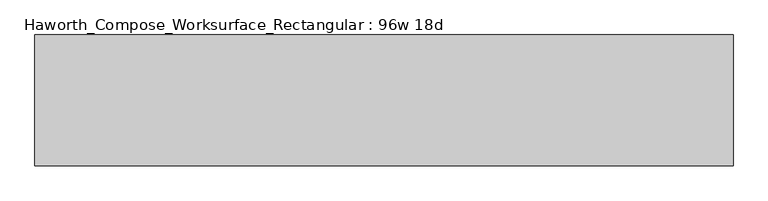
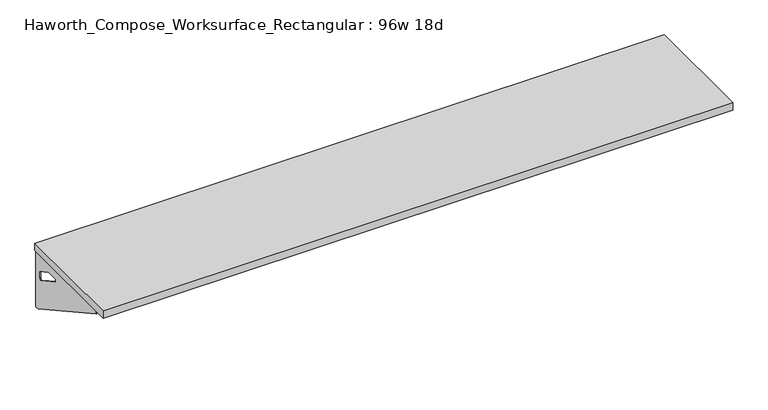
"""IFC4 building model written with IfcOpenShell, lengths in millimetres: furniture geometry, Haworth_Compose_Worksurface_Rectangular : 96w 18d."""

from ifc_helpers import new_model, si_unit, frame, origin, place, context, project, spatial, polyline, circle_curve, outline, extrude, source, transform, mapped, element, save
from ifc_brep_helpers import plane_surface, revolved_surface, advanced_brep


def haworth_compose_worksurface_rectangular_96w_18d_8fdfdb99(model_context):
    return source(origin(), model_context, "Body", "SolidModel", [
        advanced_brep(
        [(1213.64375, 228.6, 475.45625), (1213.64375, 212.725, 475.45625), (1213.64375, -177.8, 691.7192568), (1213.64375, -177.8, 704.05625), (1213.64375, 212.725, 704.05625), (1213.64375, 228.6, 704.05625), (1213.64375, 145.290072, 665.95625), (1213.64375, 101.6355284, 665.95625), (1213.64375, 98.9564235, 656.3705539), (1213.64375, 190.6776173, 605.5776439), (1213.64375, 200.025, 611.1756969), (1213.64375, 200.025, 634.6860246), (1213.64375, 198.2730055, 637.5242776), (1213.64375, 148.3663437, 665.1613425), (1216.025, 228.6, 475.45625), (1216.025, 228.6, 704.05625), (1216.025, 212.725, 704.05625), (1216.025, 212.725, 706.4375), (1216.025, -177.8, 706.4375), (1216.025, -177.8, 691.7192568), (1216.025, 212.725, 475.45625), (1216.025, 145.290072, 665.95625), (1216.025, 148.3663437, 665.1613425), (1216.025, 198.2730055, 637.5242776), (1216.025, 200.025, 634.6860246), (1216.025, 200.025, 611.1756969), (1216.025, 190.6776173, 605.5776439), (1216.025, 98.9564235, 656.3705539), (1216.025, 101.6355284, 665.95625), (1174.75, -177.8, 706.4375), (1174.75, -177.8, 704.05625), (1174.75, 212.725, 704.05625), (1174.75, 212.725, 706.4375)],
        [
            (0, 1),
            (1, 2),
            (2, 3),
            (3, 4),
            (4, 5),
            (5, 0),
            (6, 7),
            (7, 8, circle_curve(frame((1213.64375, 101.6355284, 660.7890106), z_axis=(1.0, 0.0, 0.0), x_axis=(0.0, -1.0, 0.0)), 5.1672394)),
            (8, 9),
            (9, 10, circle_curve(frame((1213.64375, 193.675, 611.1756969), z_axis=(1.0, 0.0, 0.0), x_axis=(0.0, -1.0, 0.0)), 6.35)),
            (10, 11),
            (11, 12, circle_curve(frame((1213.64375, 196.85, 634.6860246), z_axis=(1.0, 0.0, 0.0), x_axis=(0.0, -1.0, 0.0)), 3.175)),
            (12, 13),
            (13, 6, circle_curve(frame((1213.64375, 145.290072, 659.60625), z_axis=(1.0, 0.0, 0.0), x_axis=(0.0, -1.0, 0.0)), 6.35)),
            (14, 15),
            (15, 16),
            (16, 17),
            (17, 18),
            (18, 19),
            (19, 20),
            (20, 14),
            (21, 22, circle_curve(frame((1216.025, 145.290072, 659.60625), z_axis=(-1.0, 0.0, 0.0), x_axis=(0.0, -1.0, 0.0)), 6.35)),
            (22, 23),
            (23, 24, circle_curve(frame((1216.025, 196.85, 634.6860246), z_axis=(-1.0, 0.0, 0.0), x_axis=(0.0, -1.0, 0.0)), 3.175)),
            (24, 25),
            (25, 26, circle_curve(frame((1216.025, 193.675, 611.1756969), z_axis=(-1.0, 0.0, 0.0), x_axis=(0.0, -1.0, 0.0)), 6.35)),
            (26, 27),
            (27, 28, circle_curve(frame((1216.025, 101.6355284, 660.7890106), z_axis=(-1.0, 0.0, 0.0), x_axis=(0.0, -1.0, 0.0)), 5.1672394)),
            (28, 21),
            (4, 16),
            (15, 5),
            (14, 0),
            (20, 1),
            (19, 2),
            (18, 29),
            (29, 30),
            (30, 3),
            (6, 21),
            (28, 7),
            (9, 26),
            (25, 10),
            (24, 11),
            (23, 12),
            (27, 8),
            (31, 4),
            (30, 31),
            (32, 29),
            (17, 32),
            (31, 32),
            (22, 13),
        ],
        [
            plane_surface(frame((1213.64375, 228.6, 475.45625), z_axis=(-1.0, 0.0, 0.0), x_axis=(0.0, 1.0, 0.0))),
            plane_surface(frame((1216.025, 228.6, 475.45625), z_axis=(1.0, 0.0, 0.0), x_axis=(0.0, -1.0, 0.0))),
            plane_surface(frame((1216.025, -177.8, 704.05625), z_axis=(0.0, 0.0, 1.0), x_axis=(-1.0, 0.0, 0.0))),
            plane_surface(frame((1216.025, 228.6, 704.05625), z_axis=(0.0, 1.0, 0.0), x_axis=(-1.0, 0.0, 0.0))),
            plane_surface(frame((1216.025, 228.6, 475.45625), z_axis=(0.0, 0.0, -1.0), x_axis=(-1.0, 0.0, 0.0))),
            plane_surface(frame((1216.025, 212.725, 475.45625), z_axis=(0.0, -0.48445223513455843, -0.8748177135112952), x_axis=(-1.0, 0.0, 0.0))),
            plane_surface(frame((1216.025, -177.8, 691.7192568), z_axis=(0.0, -1.0, 0.0), x_axis=(-1.0, 0.0, 0.0))),
            plane_surface(frame((1216.025, 145.290072, 665.95625), z_axis=(0.0, 0.0, -1.0), x_axis=(-1.0, 0.0, 0.0))),
            revolved_surface(polyline([(1213.64375, 187.32500000000002, 611.1756969), (1216.025, 187.32500000000002, 611.1756969)]), (1216.025, 193.675, 611.1756969), (-1.0, 0.0, 0.0)),
            plane_surface(frame((1216.025, 200.025, 611.1756969), z_axis=(0.0, -1.0, 0.0), x_axis=(-1.0, 0.0, 0.0))),
            revolved_surface(polyline([(1213.64375, 193.67499999999998, 634.6860246), (1216.025, 193.67499999999998, 634.6860246)]), (1216.025, 196.85, 634.6860246), (-1.0, 0.0, 0.0)),
            revolved_surface(polyline([(1213.64375, 96.468289, 660.7890106), (1216.025, 96.468289, 660.7890106)]), (1216.025, 101.6355284, 660.7890106), (-1.0, 0.0, 0.0)),
            plane_surface(frame((1216.025, 212.725, 704.05625), z_axis=(0.0, 0.0, -1.0), x_axis=(-1.0, 0.0, 0.0))),
            plane_surface(frame((1216.025, 212.725, 706.4375), z_axis=(0.0, 0.0, 1.0), x_axis=(1.0, 0.0, 0.0))),
            plane_surface(frame((1174.75, 212.725, 706.4375), z_axis=(0.0, 1.0, 0.0), x_axis=(0.0, 0.0, -1.0))),
            plane_surface(frame((1174.75, -177.8, 706.4375), z_axis=(-1.0, 0.0, 0.0), x_axis=(0.0, 0.0, -1.0))),
            plane_surface(frame((1216.025, 98.9564235, 656.3705539), z_axis=(0.0, 0.4844522351345583, 0.8748177135112953), x_axis=(-1.0, 0.0, 0.0))),
            plane_surface(frame((1216.025, 198.2730055, 637.5242776), z_axis=(0.0, -0.4844522351345582, -0.8748177135112953), x_axis=(-1.0, 0.0, 0.0))),
            revolved_surface(polyline([(1213.64375, 138.94007200000001, 659.60625), (1216.025, 138.94007200000001, 659.60625)]), (1216.025, 145.290072, 659.60625), (-1.0, 0.0, 0.0)),
        ],
        [
            (0, [[1, 2, 3, 4, 5, 6], [7, 8, 9, 10, 11, 12, 13, 14]]),
            (1, [[15, 16, 17, 18, 19, 20, 21], [22, 23, 24, 25, 26, 27, 28, 29]]),
            (2, [[-5, 30, -16, 31]]),
            (3, [[-31, -15, 32, -6]]),
            (4, [[-32, -21, 33, -1]]),
            (5, [[-33, -20, 34, -2]]),
            (6, [[-34, -19, 35, 36, 37, -3]]),
            (7, [[38, -29, 39, -7]]),
            (8, [[40, -26, 41, -10]]),
            (9, [[-41, -25, 42, -11]]),
            (10, [[-42, -24, 43, -12]]),
            (11, [[-39, -28, 44, -8]]),
            (12, [[45, -4, -37, 46]]),
            (13, [[47, -35, -18, 48]]),
            (14, [[-17, -30, -45, 49, -48]]),
            (15, [[-36, -47, -49, -46]]),
            (16, [[-44, -27, -40, -9]]),
            (17, [[-43, -23, 50, -13]]),
            (18, [[-50, -22, -38, -14]]),
        ],
    ),
        advanced_brep(
        [(-1213.64375, 228.6, 475.45625), (-1213.64375, 228.6, 704.05625), (-1213.64375, 212.725, 704.05625), (-1213.64375, -177.8, 704.05625), (-1213.64375, -177.8, 691.7192568), (-1213.64375, 212.725, 475.45625), (-1213.64375, 145.290072, 665.95625), (-1213.64375, 148.3663437, 665.1613425), (-1213.64375, 198.2730055, 637.5242776), (-1213.64375, 200.025, 634.6860246), (-1213.64375, 200.025, 611.1756969), (-1213.64375, 190.6776173, 605.5776439), (-1213.64375, 98.9564235, 656.3705539), (-1213.64375, 101.6355284, 665.95625), (-1216.025, 228.6, 475.45625), (-1216.025, 212.725, 475.45625), (-1216.025, -177.8, 691.7192568), (-1216.025, -177.8, 706.4375), (-1216.025, 212.725, 706.4375), (-1216.025, 212.725, 704.05625), (-1216.025, 228.6, 704.05625), (-1216.025, 145.290072, 665.95625), (-1216.025, 101.6355284, 665.95625), (-1216.025, 98.9564235, 656.3705539), (-1216.025, 190.6776173, 605.5776439), (-1216.025, 200.025, 611.1756969), (-1216.025, 200.025, 634.6860246), (-1216.025, 198.2730055, 637.5242776), (-1216.025, 148.3663437, 665.1613425), (-1174.75, -177.8, 704.05625), (-1174.75, -177.8, 706.4375), (-1174.75, 212.725, 704.05625), (-1174.75, 212.725, 706.4375)],
        [
            (0, 1),
            (1, 2),
            (2, 3),
            (3, 4),
            (4, 5),
            (5, 0),
            (6, 7, circle_curve(frame((-1213.64375, 145.290072, 659.60625), z_axis=(-1.0, 0.0, 0.0), x_axis=(0.0, -1.0, 0.0)), 6.35)),
            (7, 8),
            (8, 9, circle_curve(frame((-1213.64375, 196.85, 634.6860246), z_axis=(-1.0, 0.0, 0.0), x_axis=(0.0, -1.0, 0.0)), 3.175)),
            (9, 10),
            (10, 11, circle_curve(frame((-1213.64375, 193.675, 611.1756969), z_axis=(-1.0, 0.0, 0.0), x_axis=(0.0, -1.0, 0.0)), 6.35)),
            (11, 12),
            (12, 13, circle_curve(frame((-1213.64375, 101.6355284, 660.7890106), z_axis=(-1.0, 0.0, 0.0), x_axis=(0.0, -1.0, 0.0)), 5.1672394)),
            (13, 6),
            (14, 15),
            (15, 16),
            (16, 17),
            (17, 18),
            (18, 19),
            (19, 20),
            (20, 14),
            (21, 22),
            (22, 23, circle_curve(frame((-1216.025, 101.6355284, 660.7890106), z_axis=(1.0, 0.0, 0.0), x_axis=(0.0, -1.0, 0.0)), 5.1672394)),
            (23, 24),
            (24, 25, circle_curve(frame((-1216.025, 193.675, 611.1756969), z_axis=(1.0, 0.0, 0.0), x_axis=(0.0, -1.0, 0.0)), 6.35)),
            (25, 26),
            (26, 27, circle_curve(frame((-1216.025, 196.85, 634.6860246), z_axis=(1.0, 0.0, 0.0), x_axis=(0.0, -1.0, 0.0)), 3.175)),
            (27, 28),
            (28, 21, circle_curve(frame((-1216.025, 145.290072, 659.60625), z_axis=(1.0, 0.0, 0.0), x_axis=(0.0, -1.0, 0.0)), 6.35)),
            (1, 20),
            (19, 2),
            (0, 14),
            (5, 15),
            (4, 16),
            (3, 29),
            (29, 30),
            (30, 17),
            (13, 22),
            (21, 6),
            (10, 25),
            (24, 11),
            (9, 26),
            (8, 27),
            (12, 23),
            (31, 29),
            (2, 31),
            (32, 18),
            (30, 32),
            (32, 31),
            (7, 28),
        ],
        [
            plane_surface(frame((-1213.64375, 228.6, 475.45625), z_axis=(1.0, 0.0, 0.0), x_axis=(0.0, 1.0, 0.0))),
            plane_surface(frame((-1216.025, 228.6, 475.45625), z_axis=(-1.0, 0.0, 0.0), x_axis=(0.0, -1.0, 0.0))),
            plane_surface(frame((-1216.025, -177.8, 704.05625), z_axis=(0.0, 0.0, 1.0), x_axis=(1.0, 0.0, 0.0))),
            plane_surface(frame((-1216.025, 228.6, 704.05625), z_axis=(0.0, 1.0, 0.0), x_axis=(1.0, 0.0, 0.0))),
            plane_surface(frame((-1216.025, 228.6, 475.45625), z_axis=(0.0, 0.0, -1.0), x_axis=(1.0, 0.0, 0.0))),
            plane_surface(frame((-1216.025, 212.725, 475.45625), z_axis=(0.0, -0.48445223513455843, -0.8748177135112952), x_axis=(1.0, 0.0, 0.0))),
            plane_surface(frame((-1216.025, -177.8, 691.7192568), z_axis=(0.0, -1.0, 0.0), x_axis=(1.0, 0.0, 0.0))),
            plane_surface(frame((-1216.025, 145.290072, 665.95625), z_axis=(0.0, 0.0, -1.0), x_axis=(1.0, 0.0, 0.0))),
            revolved_surface(polyline([(-1213.64375, 187.32500000000002, 611.1756969), (-1216.025, 187.32500000000002, 611.1756969)]), (-1216.025, 193.675, 611.1756969), (1.0, 0.0, 0.0)),
            plane_surface(frame((-1216.025, 200.025, 611.1756969), z_axis=(0.0, -1.0, 0.0), x_axis=(1.0, 0.0, 0.0))),
            revolved_surface(polyline([(-1213.64375, 193.67499999999998, 634.6860246), (-1216.025, 193.67499999999998, 634.6860246)]), (-1216.025, 196.85, 634.6860246), (1.0, 0.0, 0.0)),
            revolved_surface(polyline([(-1213.64375, 96.468289, 660.7890106), (-1216.025, 96.468289, 660.7890106)]), (-1216.025, 101.6355284, 660.7890106), (1.0, 0.0, 0.0)),
            plane_surface(frame((-1216.025, 212.725, 704.05625), z_axis=(0.0, 0.0, -1.0), x_axis=(1.0, 0.0, 0.0))),
            plane_surface(frame((-1216.025, 212.725, 706.4375), z_axis=(0.0, 0.0, 1.0), x_axis=(-1.0, 0.0, 0.0))),
            plane_surface(frame((-1174.75, 212.725, 706.4375), z_axis=(0.0, 1.0, 0.0), x_axis=(0.0, 0.0, -1.0))),
            plane_surface(frame((-1174.75, -177.8, 706.4375), z_axis=(1.0, 0.0, 0.0), x_axis=(0.0, 0.0, -1.0))),
            plane_surface(frame((-1216.025, 98.9564235, 656.3705539), z_axis=(0.0, 0.4844522351345583, 0.8748177135112953), x_axis=(1.0, 0.0, 0.0))),
            plane_surface(frame((-1216.025, 198.2730055, 637.5242776), z_axis=(0.0, -0.4844522351345582, -0.8748177135112953), x_axis=(1.0, 0.0, 0.0))),
            revolved_surface(polyline([(-1213.64375, 138.94007200000001, 659.60625), (-1216.025, 138.94007200000001, 659.60625)]), (-1216.025, 145.290072, 659.60625), (1.0, 0.0, 0.0)),
        ],
        [
            (0, [[1, 2, 3, 4, 5, 6], [7, 8, 9, 10, 11, 12, 13, 14]]),
            (1, [[15, 16, 17, 18, 19, 20, 21], [22, 23, 24, 25, 26, 27, 28, 29]]),
            (2, [[30, -20, 31, -2]]),
            (3, [[-1, 32, -21, -30]]),
            (4, [[-6, 33, -15, -32]]),
            (5, [[-5, 34, -16, -33]]),
            (6, [[-4, 35, 36, 37, -17, -34]]),
            (7, [[-14, 38, -22, 39]]),
            (8, [[-11, 40, -25, 41]]),
            (9, [[-10, 42, -26, -40]]),
            (10, [[-9, 43, -27, -42]]),
            (11, [[-13, 44, -23, -38]]),
            (12, [[45, -35, -3, 46]]),
            (13, [[47, -18, -37, 48]]),
            (14, [[-47, 49, -46, -31, -19]]),
            (15, [[-45, -49, -48, -36]]),
            (16, [[-12, -41, -24, -44]]),
            (17, [[-8, 50, -28, -43]]),
            (18, [[-7, -39, -29, -50]]),
        ],
    ),
        extrude(outline(polyline([(1219.2, 228.6), (1219.2, -228.6), (-1219.2, -228.6), (-1219.2, 228.6), (1219.2, 228.6)])), frame((0.0, 0.0, 706.4375), z_axis=(0.0, 0.0, 1.0), x_axis=(1.0, 0.0, 0.0)), (0.0, 0.0, 1.0), 30.1625),
    ])


if __name__ == "__main__":
    model = new_model("IFC4")
    model_context = context("Model", 3, world=origin())
    ifc_project = project(units=[si_unit("LENGTHUNIT", "METRE", prefix="MILLI")], contexts=[model_context])
    site = spatial("IfcSite", under=ifc_project)
    building = spatial("IfcBuilding", under=site)
    placement = place(None, origin())
    haworth_compose_worksurface_rectangular_96w_18d_shape = haworth_compose_worksurface_rectangular_96w_18d_8fdfdb99(model_context)
    element("IfcFurniture", 1, ObjectType="Haworth_Compose_Worksurface_Rectangular : 96w 18d", at=placement, inside=building, context=model_context, shape_type="MappedRepresentation", body=[
        mapped(haworth_compose_worksurface_rectangular_96w_18d_shape, transform((0.0, 0.0, 0.0), x_axis=(1.0, 0.0, 0.0), y_axis=(0.0, 1.0, 0.0), z_axis=(0.0, 0.0, 1.0))),
    ])
    save(model, "model.ifc")
